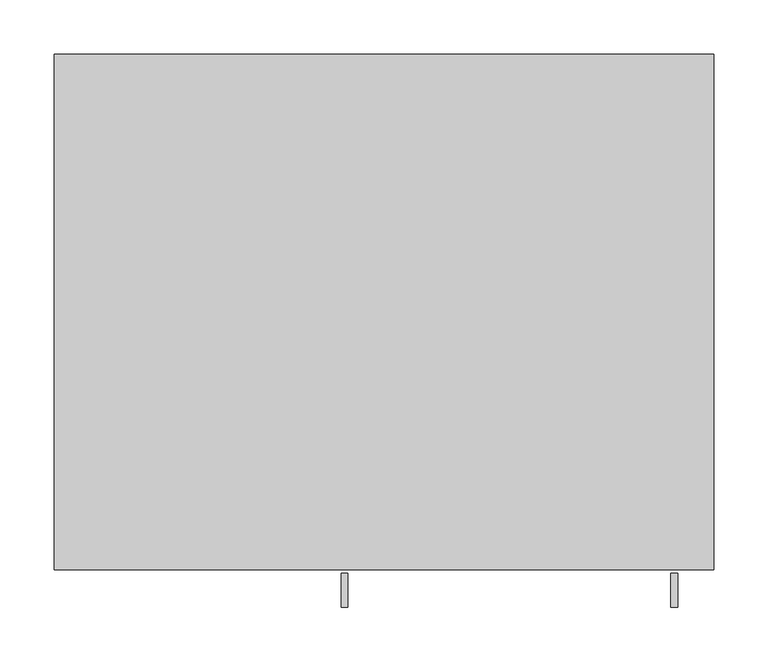
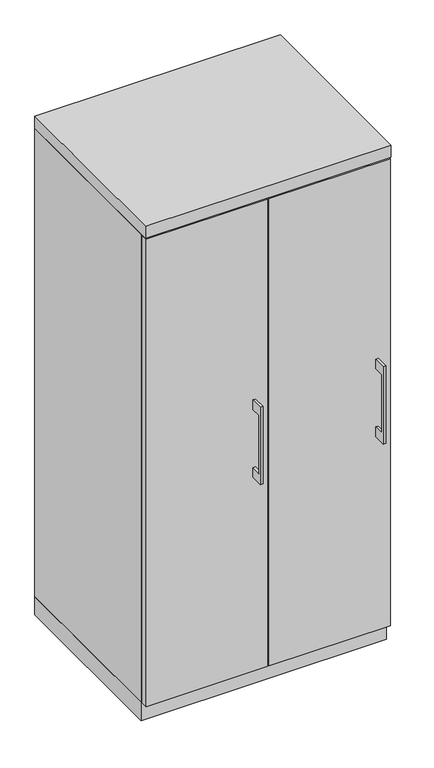
"""IFC4 building model written with IfcOpenShell, lengths in millimetres: furniture geometry."""

from ifc_helpers import new_model, si_unit, frame, origin, origin_with_axes, place, context, project, spatial, polyline, outline, extrude, source, transform, mapped, element, save


def furniture_8913f0cf(model_context):
    return source(origin(), model_context, "Body", "SweptSolid", [
        extrude(outline(polyline([(-479.425, 736.6), (-504.8249758, 736.6), (-504.8249758, 584.2), (-479.425, 584.2), (-479.425, 558.8), (-511.1749879, 558.8), (-511.1749879, 762.0), (-479.425, 762.0), (-479.425, 736.6)])), frame((265.1125121, 0.0, 0.0), z_axis=(1.0, 0.0, 0.0), x_axis=(0.0, 1.0, 0.0)), (0.0, 0.0, 1.0), 6.3499758),
        extrude(outline(polyline([(303.2125, -476.25), (1.5875, -476.25), (1.5875, -457.2), (303.2125, -457.2), (303.2125, -476.25)])), frame((0.0, 0.0, 47.625), z_axis=(0.0, 0.0, 1.0), x_axis=(1.0, 0.0, 0.0)), (0.0, 0.0, 1.0), 1225.55),
        extrude(outline(polyline([(-479.425, 736.6), (-504.8249758, 736.6), (-504.8249758, 584.2), (-479.425, 584.2), (-479.425, 558.8), (-511.1749879, 558.8), (-511.1749879, 762.0), (-479.425, 762.0), (-479.425, 736.6)])), frame((-39.6874879, 0.0, 0.0), z_axis=(1.0, 0.0, 0.0), x_axis=(0.0, 1.0, 0.0)), (0.0, 0.0, 1.0), 6.3499758),
        extrude(outline(polyline([(-1.5875, -476.25), (-303.2125, -476.25), (-303.2125, -457.2), (-1.5875, -457.2), (-1.5875, -476.25)])), frame((0.0, 0.0, 47.625), z_axis=(0.0, 0.0, 1.0), x_axis=(1.0, 0.0, 0.0)), (0.0, 0.0, 1.0), 1225.55),
        extrude(outline(polyline([(304.8, 0.0), (304.8, -457.2), (-304.8, -457.2), (-304.8, 0.0), (304.8, 0.0)])), origin_with_axes(), (0.0, 0.0, 1.0), 47.625),
        extrude(outline(polyline([(304.8, 0.0), (304.8, -476.25), (-304.8, -476.25), (-304.8, 0.0), (304.8, 0.0)])), frame((0.0, 0.0, 1276.35), z_axis=(0.0, 0.0, 1.0), x_axis=(1.0, 0.0, 0.0)), (0.0, 0.0, 1.0), 31.75),
        extrude(outline(polyline([(304.8, 0.0), (304.8, -457.2), (285.75, -457.2), (285.75, -19.05), (9.525, -19.05), (9.525, -457.2), (-9.525, -457.2), (-9.525, -19.05), (-285.75, -19.05), (-285.75, -457.2), (-304.8, -457.2), (-304.8, 0.0), (304.8, 0.0)])), frame((0.0, 0.0, 47.625), z_axis=(0.0, 0.0, 1.0), x_axis=(1.0, 0.0, 0.0)), (0.0, 0.0, 1.0), 1228.725),
    ])


if __name__ == "__main__":
    model = new_model("IFC4")
    model_context = context("Model", 3, world=origin())
    ifc_project = project(units=[si_unit("LENGTHUNIT", "METRE", prefix="MILLI")], contexts=[model_context])
    site = spatial("IfcSite", under=ifc_project)
    building = spatial("IfcBuilding", under=site)
    placement = place(None, origin())
    furniture_shape = furniture_8913f0cf(model_context)
    element("IfcFurniture", 1, at=placement, inside=building, context=model_context, shape_type="MappedRepresentation", body=[
        mapped(furniture_shape, transform((0.0, 0.0, 0.0), x_axis=(1.0, 0.0, 0.0), y_axis=(0.0, 1.0, 0.0), z_axis=(0.0, 0.0, 1.0))),
    ])
    save(model, "model.ifc")
